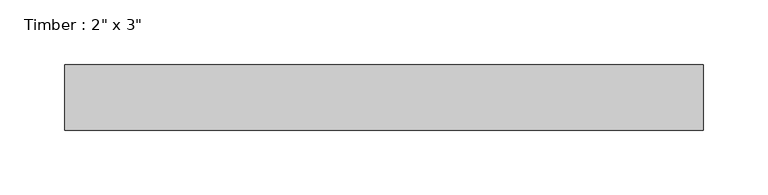
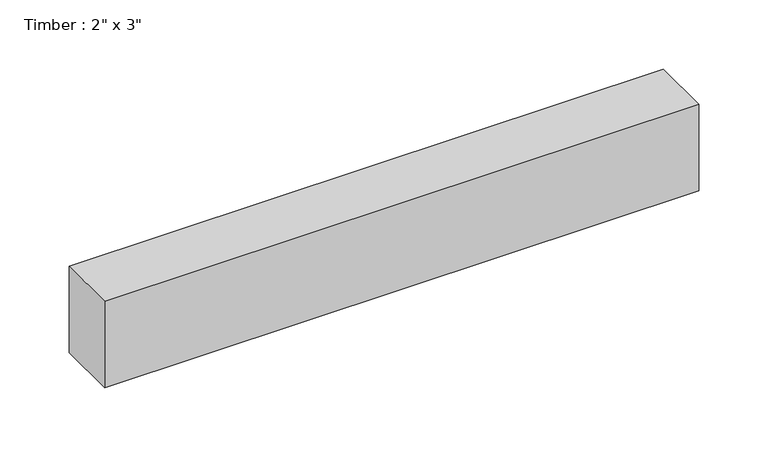
"""IFC4 building model written with IfcOpenShell, lengths in millimetres: beam geometry."""

from ifc_helpers import new_model, si_unit, frame, origin, place, context, project, spatial, polyline, outline, extrude, source, transform, mapped, element, save


def beam_ec30acd3(model_context):
    return source(origin(), model_context, "Body", "SweptSolid", [
        extrude(outline(polyline([(247.4795023, -25.4), (-247.4795023, -25.4), (-247.4795023, 25.4), (247.4795023, 25.4), (247.4795023, -25.4)])), frame((0.0, 0.0, -38.1), z_axis=(0.0, 0.0, 1.0), x_axis=(1.0, 0.0, 0.0)), (0.0, 0.0, 1.0), 76.2),
    ])


if __name__ == "__main__":
    model = new_model("IFC4")
    model_context = context("Model", 3, world=origin())
    ifc_project = project(units=[si_unit("LENGTHUNIT", "METRE", prefix="MILLI")], contexts=[model_context])
    site = spatial("IfcSite", under=ifc_project)
    building = spatial("IfcBuilding", under=site)
    placement = place(None, origin())
    beam_shape = beam_ec30acd3(model_context)
    element("IfcBeam", 1, ObjectType="Timber : 2\" x 3\"", at=placement, inside=building, context=model_context, shape_type="MappedRepresentation", body=[
        mapped(beam_shape, transform((0.0, 0.0, 0.0), x_axis=(1.0, 0.0, 0.0), y_axis=(0.0, 1.0, 0.0), z_axis=(0.0, 0.0, 1.0))),
    ])
    save(model, "model.ifc")
